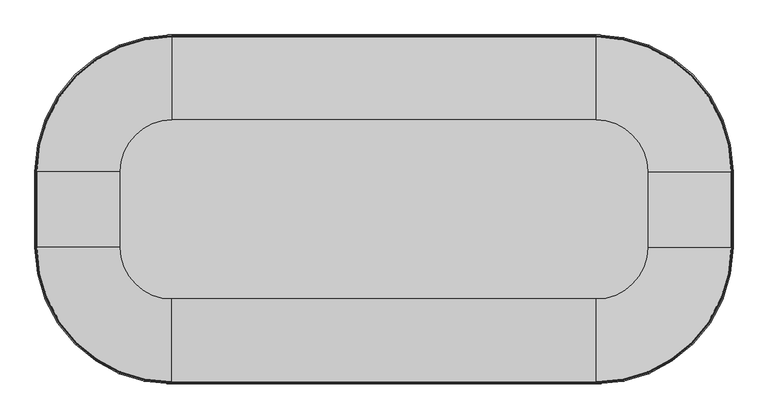
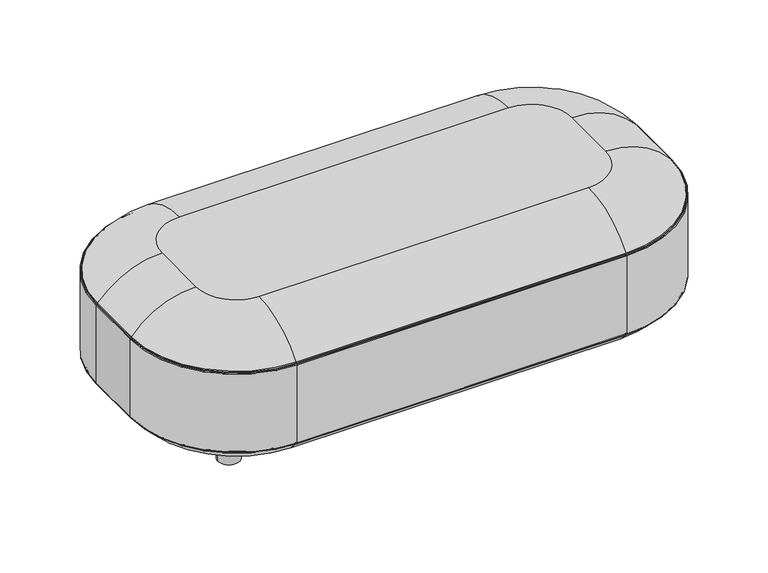
"""IFC4 building model written with IfcOpenShell, lengths in millimetres: furniture geometry."""

from ifc_helpers import new_model, si_unit, point, frame, frame_2d, origin, origin_with_axes, place, context, project, spatial, polyline, circle_curve, ellipse_curve, trimmed, segment, composite_curve, outline, extrude, source, transform, mapped, element, save
from ifc_brep_helpers import plane_surface, cylinder_surface, revolved_surface, advanced_brep


def furniture_69b47f4f(model_context):
    return source(origin(), model_context, "Body", "SolidModel", [
        extrude(outline(composite_curve([segment(trimmed(circle_curve(frame_2d((196.85, -196.85)), 24.13), [point((172.72, -196.85))], [point((220.98, -196.85))], False, "CARTESIAN"), True, "CONTINUOUS"), segment(trimmed(circle_curve(frame_2d((196.85, -196.85)), 24.13), [point((220.98, -196.85))], [point((172.72, -196.85))], False, "CARTESIAN"), True, "CONTINUOUS")], self_intersect=False)), origin_with_axes(), (0.0, 0.0, 1.0), 68.8975487),
        extrude(outline(composite_curve([segment(trimmed(circle_curve(frame_2d((196.85, -403.098)), 24.13), [point((172.72, -403.098))], [point((220.98, -403.098))], False, "CARTESIAN"), True, "CONTINUOUS"), segment(trimmed(circle_curve(frame_2d((196.85, -403.098)), 24.13), [point((220.98, -403.098))], [point((172.72, -403.098))], False, "CARTESIAN"), True, "CONTINUOUS")], self_intersect=False)), origin_with_axes(), (0.0, 0.0, 1.0), 68.8975487),
        extrude(outline(composite_curve([segment(trimmed(circle_curve(frame_2d((1003.1503967, -196.85)), 24.13), [point((979.0203967, -196.85))], [point((1027.2803967, -196.85))], False, "CARTESIAN"), True, "CONTINUOUS"), segment(trimmed(circle_curve(frame_2d((1003.1503967, -196.85)), 24.13), [point((1027.2803967, -196.85))], [point((979.0203967, -196.85))], False, "CARTESIAN"), True, "CONTINUOUS")], self_intersect=False)), origin_with_axes(), (0.0, 0.0, 1.0), 68.8975487),
        extrude(outline(composite_curve([segment(trimmed(circle_curve(frame_2d((1003.1503967, -403.098)), 24.13), [point((979.0203967, -403.098))], [point((1027.2803967, -403.098))], False, "CARTESIAN"), True, "CONTINUOUS"), segment(trimmed(circle_curve(frame_2d((1003.1503967, -403.098)), 24.13), [point((1027.2803967, -403.098))], [point((979.0203967, -403.098))], False, "CARTESIAN"), True, "CONTINUOUS")], self_intersect=False)), origin_with_axes(), (0.0, 0.0, 1.0), 68.8975487),
        advanced_brep(
        [(1196.4997362, -234.95, 327.7392201), (965.0503967, -3.5006606, 327.7392201), (965.0503967, -146.05, 394.97), (1053.9503967, -234.95, 394.97), (1197.032026, -234.95, 325.6332334), (965.0503967, -2.9683707, 325.6332334), (1198.2895306, -234.95, 324.5567357), (965.0503967, -1.7108661, 324.5567357), (1200.0003967, -234.95, 323.3587743), (965.0503967, 0.0, 323.3587743), (1200.0003967, -234.95, 140.5087743), (965.0503967, 0.0, 140.5087743), (1198.2895306, -234.95, 139.310813), (965.0503967, -1.7108661, 139.310813), (1197.032026, -234.95, 138.2343153), (965.0503967, -2.9683707, 138.2343153), (1196.4997362, -234.95, 136.1283286), (965.0503967, -3.5006606, 136.1283286), (1053.9503967, -234.95, 68.8975487), (965.0503967, -146.05, 68.8975487), (1053.9503967, -364.998, 394.97), (1196.4997362, -364.998, 327.7392201), (1197.032026, -364.998, 325.6332334), (1198.2895306, -364.998, 324.5567357), (1200.0003967, -364.998, 323.3587743), (1200.0003967, -364.998, 140.5087743), (1198.2895306, -364.998, 139.310813), (1197.032026, -364.998, 138.2343153), (1196.4997362, -364.998, 136.1283286), (1053.9503967, -364.998, 68.8975487), (965.0503967, -453.898, 394.97), (965.0503967, -596.4473394, 327.7392201), (965.0503967, -596.9796293, 325.6332334), (965.0503967, -598.2371339, 324.5567357), (965.0503967, -599.948, 323.3587743), (965.0503967, -599.948, 140.5087743), (965.0503967, -598.2371339, 139.310813), (965.0503967, -596.9796293, 138.2343153), (965.0503967, -596.4473394, 136.1283286), (965.0503967, -453.898, 68.8975487), (234.95, -453.898, 394.97), (234.95, -596.4473394, 327.7392201), (234.95, -596.9796293, 325.6332334), (234.95, -598.2371339, 324.5567357), (234.95, -599.948, 323.3587743), (234.95, -599.948, 140.5087743), (234.95, -598.2371339, 139.310813), (234.95, -596.9796293, 138.2343153), (234.95, -596.4473394, 136.1283286), (234.95, -453.898, 68.8975487), (146.05, -364.998, 394.97), (3.5006606, -364.998, 327.7392201), (2.9683707, -364.998, 325.6332334), (1.7108661, -364.998, 324.5567357), (0.0, -364.998, 323.3587743), (0.0, -364.998, 140.5087743), (1.7108661, -364.998, 139.310813), (2.9683707, -364.998, 138.2343153), (3.5006606, -364.998, 136.1283286), (146.05, -364.998, 68.8975487), (146.05, -234.95, 394.97), (3.5006606, -234.95, 327.7392201), (2.9683707, -234.95, 325.6332334), (1.7108661, -234.95, 324.5567357), (0.0, -234.95, 323.3587743), (0.0, -234.95, 140.5087743), (1.7108661, -234.95, 139.310813), (2.9683707, -234.95, 138.2343153), (3.5006606, -234.95, 136.1283286), (146.05, -234.95, 68.8975487), (234.95, -146.05, 394.97), (234.95, -3.5006606, 327.7392201), (234.95, -2.9683707, 325.6332334), (234.95, -1.7108661, 324.5567357), (234.95, 0.0, 323.3587743), (234.95, 0.0, 140.5087743), (234.95, -1.7108661, 139.310813), (234.95, -2.9683707, 138.2343153), (234.95, -3.5006606, 136.1283286), (234.95, -146.05, 68.8975487)],
        [
            (0, 1, circle_curve(frame((965.0503967, -234.95, 327.7392201), z_axis=(0.0, 0.0, 1.0), x_axis=(0.0, 1.0, 0.0)), 231.4493394)),
            (1, 2, circle_curve(frame((965.0503967, -146.05, 210.231016), z_axis=(1.0, 0.0, 0.0), x_axis=(0.0, 1.0, 0.0)), 184.738984)),
            (2, 3, circle_curve(frame((965.0503967, -234.95, 394.97), z_axis=(0.0, 0.0, -1.0), x_axis=(0.0, 1.0, 0.0)), 88.9)),
            (3, 0, circle_curve(frame((1053.9503967, -234.95, 210.231016), z_axis=(0.0, 1.0, 0.0), x_axis=(1.0, 0.0, 0.0)), 184.738984)),
            (0, 4, circle_curve(frame((1194.539807, -234.95, 326.1235847), z_axis=(0.0, 1.0, 0.0), x_axis=(1.0, 0.0, 0.0)), 2.54)),
            (4, 5, circle_curve(frame((965.0503967, -234.95, 325.6332334), z_axis=(0.0, 0.0, 1.0), x_axis=(0.0, 1.0, 0.0)), 231.9816293)),
            (5, 1, circle_curve(frame((965.0503967, -5.4605897, 326.1235847), z_axis=(1.0, 0.0, 0.0), x_axis=(0.0, 1.0, 0.0)), 2.54)),
            (4, 6, circle_curve(frame((1197.9644935, -234.95, 325.4497677), z_axis=(0.0, -1.0, 0.0), x_axis=(1.0, 0.0, 0.0)), 0.9503448)),
            (6, 7, circle_curve(frame((965.0503967, -234.95, 324.5567357), z_axis=(0.0, 0.0, 1.0), x_axis=(0.0, 1.0, 0.0)), 233.2391339)),
            (7, 5, circle_curve(frame((965.0503967, -2.0359032, 325.4497677), z_axis=(-1.0, 0.0, 0.0), x_axis=(0.0, 1.0, 0.0)), 0.9503448)),
            (6, 8, circle_curve(frame((1198.7255529, -234.95, 323.3587743), z_axis=(0.0, 1.0, 0.0), x_axis=(1.0, 0.0, 0.0)), 1.2748439)),
            (8, 9, circle_curve(frame((965.0503967, -234.95, 323.3587743), z_axis=(0.0, 0.0, 1.0), x_axis=(0.0, 1.0, 0.0)), 234.95)),
            (9, 7, circle_curve(frame((965.0503967, -1.2748439, 323.3587743), z_axis=(1.0, 0.0, 0.0), x_axis=(0.0, 1.0, 0.0)), 1.2748439)),
            (8, 10),
            (10, 11, circle_curve(frame((965.0503967, -234.95, 140.5087743), z_axis=(0.0, 0.0, 1.0), x_axis=(0.0, 1.0, 0.0)), 234.95)),
            (11, 9),
            (10, 12, circle_curve(frame((1198.7255529, -234.95, 140.5087743), z_axis=(0.0, 1.0, 0.0), x_axis=(1.0, 0.0, 0.0)), 1.2748439)),
            (12, 13, circle_curve(frame((965.0503967, -234.95, 139.310813), z_axis=(0.0, 0.0, 1.0), x_axis=(0.0, 1.0, 0.0)), 233.2391339)),
            (13, 11, circle_curve(frame((965.0503967, -1.2748439, 140.5087743), z_axis=(1.0, 0.0, 0.0), x_axis=(0.0, 1.0, 0.0)), 1.2748439)),
            (12, 14, circle_curve(frame((1197.9644935, -234.95, 138.4177809), z_axis=(0.0, -1.0, 0.0), x_axis=(1.0, 0.0, 0.0)), 0.9503448)),
            (14, 15, circle_curve(frame((965.0503967, -234.95, 138.2343153), z_axis=(0.0, 0.0, 1.0), x_axis=(0.0, 1.0, 0.0)), 231.9816293)),
            (15, 13, circle_curve(frame((965.0503967, -2.0359032, 138.4177809), z_axis=(-1.0, 0.0, 0.0), x_axis=(0.0, 1.0, 0.0)), 0.9503448)),
            (14, 16, circle_curve(frame((1194.539807, -234.95, 137.743964), z_axis=(0.0, 1.0, 0.0), x_axis=(1.0, 0.0, 0.0)), 2.54)),
            (16, 17, circle_curve(frame((965.0503967, -234.95, 136.1283286), z_axis=(0.0, 0.0, 1.0), x_axis=(0.0, 1.0, 0.0)), 231.4493394)),
            (17, 15, circle_curve(frame((965.0503967, -5.4605897, 137.743964), z_axis=(1.0, 0.0, 0.0), x_axis=(0.0, 1.0, 0.0)), 2.54)),
            (16, 18, circle_curve(frame((1053.9503967, -234.95, 253.6365327), z_axis=(0.0, 1.0, 0.0), x_axis=(1.0, 0.0, 0.0)), 184.738984)),
            (18, 19, circle_curve(frame((965.0503967, -234.95, 68.8975487), z_axis=(0.0, 0.0, 1.0), x_axis=(0.0, 1.0, 0.0)), 88.9)),
            (19, 17, circle_curve(frame((965.0503967, -146.05, 253.6365327), z_axis=(1.0, 0.0, 0.0), x_axis=(0.0, 1.0, 0.0)), 184.738984)),
            (3, 20),
            (20, 21, circle_curve(frame((1053.9503967, -364.998, 210.231016), z_axis=(0.0, 1.0, 0.0), x_axis=(1.0, 0.0, 0.0)), 184.738984)),
            (21, 0),
            (21, 22, circle_curve(frame((1194.539807, -364.998, 326.1235847), z_axis=(0.0, 1.0, 0.0), x_axis=(1.0, 0.0, 0.0)), 2.54)),
            (22, 4),
            (22, 23, circle_curve(frame((1197.9644935, -364.998, 325.4497677), z_axis=(0.0, -1.0, 0.0), x_axis=(1.0, 0.0, 0.0)), 0.9503448)),
            (23, 6),
            (23, 24, circle_curve(frame((1198.7255529, -364.998, 323.3587743), z_axis=(0.0, 1.0, 0.0), x_axis=(1.0, 0.0, 0.0)), 1.2748439)),
            (24, 8),
            (24, 25),
            (25, 10),
            (25, 26, circle_curve(frame((1198.7255529, -364.998, 140.5087743), z_axis=(0.0, 1.0, 0.0), x_axis=(1.0, 0.0, 0.0)), 1.2748439)),
            (26, 12),
            (26, 27, circle_curve(frame((1197.9644935, -364.998, 138.4177809), z_axis=(0.0, -1.0, 0.0), x_axis=(1.0, 0.0, 0.0)), 0.9503448)),
            (27, 14),
            (27, 28, circle_curve(frame((1194.539807, -364.998, 137.743964), z_axis=(0.0, 1.0, 0.0), x_axis=(1.0, 0.0, 0.0)), 2.54)),
            (28, 16),
            (28, 29, circle_curve(frame((1053.9503967, -364.998, 253.6365327), z_axis=(0.0, 1.0, 0.0), x_axis=(1.0, 0.0, 0.0)), 184.738984)),
            (29, 18),
            (20, 30, circle_curve(frame((965.0503967, -364.998, 394.97), z_axis=(0.0, 0.0, -1.0), x_axis=(1.0, 0.0, 0.0)), 88.9)),
            (30, 31, circle_curve(frame((965.0503967, -453.898, 210.231016), z_axis=(1.0, 0.0, 0.0), x_axis=(0.0, -1.0, 0.0)), 184.738984)),
            (31, 21, circle_curve(frame((965.0503967, -364.998, 327.7392201), z_axis=(0.0, 0.0, 1.0), x_axis=(1.0, 0.0, 0.0)), 231.4493394)),
            (31, 32, circle_curve(frame((965.0503967, -594.4874103, 326.1235847), z_axis=(1.0, 0.0, 0.0), x_axis=(0.0, -1.0, 0.0)), 2.54)),
            (32, 22, circle_curve(frame((965.0503967, -364.998, 325.6332334), z_axis=(0.0, 0.0, 1.0), x_axis=(1.0, 0.0, 0.0)), 231.9816293)),
            (32, 33, circle_curve(frame((965.0503967, -597.9120968, 325.4497677), z_axis=(-1.0, 0.0, 0.0), x_axis=(0.0, -1.0, 0.0)), 0.9503448)),
            (33, 23, circle_curve(frame((965.0503967, -364.998, 324.5567357), z_axis=(0.0, 0.0, 1.0), x_axis=(1.0, 0.0, 0.0)), 233.2391339)),
            (33, 34, circle_curve(frame((965.0503967, -598.6731561, 323.3587743), z_axis=(1.0, 0.0, 0.0), x_axis=(0.0, -1.0, 0.0)), 1.2748439)),
            (34, 24, circle_curve(frame((965.0503967, -364.998, 323.3587743), z_axis=(0.0, 0.0, 1.0), x_axis=(1.0, 0.0, 0.0)), 234.95)),
            (34, 35),
            (35, 25, circle_curve(frame((965.0503967, -364.998, 140.5087743), z_axis=(0.0, 0.0, 1.0), x_axis=(1.0, 0.0, 0.0)), 234.95)),
            (35, 36, circle_curve(frame((965.0503967, -598.6731561, 140.5087743), z_axis=(1.0, 0.0, 0.0), x_axis=(0.0, -1.0, 0.0)), 1.2748439)),
            (36, 26, circle_curve(frame((965.0503967, -364.998, 139.310813), z_axis=(0.0, 0.0, 1.0), x_axis=(1.0, 0.0, 0.0)), 233.2391339)),
            (36, 37, circle_curve(frame((965.0503967, -597.9120968, 138.4177809), z_axis=(-1.0, 0.0, 0.0), x_axis=(0.0, -1.0, 0.0)), 0.9503448)),
            (37, 27, circle_curve(frame((965.0503967, -364.998, 138.2343153), z_axis=(0.0, 0.0, 1.0), x_axis=(1.0, 0.0, 0.0)), 231.9816293)),
            (37, 38, circle_curve(frame((965.0503967, -594.4874103, 137.743964), z_axis=(1.0, 0.0, 0.0), x_axis=(0.0, -1.0, 0.0)), 2.54)),
            (38, 28, circle_curve(frame((965.0503967, -364.998, 136.1283286), z_axis=(0.0, 0.0, 1.0), x_axis=(1.0, 0.0, 0.0)), 231.4493394)),
            (38, 39, circle_curve(frame((965.0503967, -453.898, 253.6365327), z_axis=(1.0, 0.0, 0.0), x_axis=(0.0, -1.0, 0.0)), 184.738984)),
            (39, 29, circle_curve(frame((965.0503967, -364.998, 68.8975487), z_axis=(0.0, 0.0, 1.0), x_axis=(1.0, 0.0, 0.0)), 88.9)),
            (30, 40),
            (40, 41, circle_curve(frame((234.95, -453.898, 210.231016), z_axis=(1.0, 0.0, 0.0), x_axis=(0.0, -1.0, 0.0)), 184.738984)),
            (41, 31),
            (41, 42, circle_curve(frame((234.95, -594.4874103, 326.1235847), z_axis=(1.0, 0.0, 0.0), x_axis=(0.0, -1.0, 0.0)), 2.54)),
            (42, 32),
            (42, 43, circle_curve(frame((234.95, -597.9120968, 325.4497677), z_axis=(-1.0, 0.0, 0.0), x_axis=(0.0, -1.0, 0.0)), 0.9503448)),
            (43, 33),
            (43, 44, circle_curve(frame((234.95, -598.6731561, 323.3587743), z_axis=(1.0, 0.0, 0.0), x_axis=(0.0, -1.0, 0.0)), 1.2748439)),
            (44, 34),
            (44, 45),
            (45, 35),
            (45, 46, circle_curve(frame((234.95, -598.6731561, 140.5087743), z_axis=(1.0, 0.0, 0.0), x_axis=(0.0, -1.0, 0.0)), 1.2748439)),
            (46, 36),
            (46, 47, circle_curve(frame((234.95, -597.9120968, 138.4177809), z_axis=(-1.0, 0.0, 0.0), x_axis=(0.0, -1.0, 0.0)), 0.9503448)),
            (47, 37),
            (47, 48, circle_curve(frame((234.95, -594.4874103, 137.743964), z_axis=(1.0, 0.0, 0.0), x_axis=(0.0, -1.0, 0.0)), 2.54)),
            (48, 38),
            (48, 49, circle_curve(frame((234.95, -453.898, 253.6365327), z_axis=(1.0, 0.0, 0.0), x_axis=(0.0, -1.0, 0.0)), 184.738984)),
            (49, 39),
            (40, 50, circle_curve(frame((234.95, -364.998, 394.97), z_axis=(0.0, 0.0, -1.0), x_axis=(0.0, -1.0, 0.0)), 88.9)),
            (50, 51, circle_curve(frame((146.05, -364.998, 210.231016), z_axis=(0.0, -1.0, 0.0), x_axis=(-1.0, 0.0, 0.0)), 184.738984)),
            (51, 41, circle_curve(frame((234.95, -364.998, 327.7392201), z_axis=(0.0, 0.0, 1.0), x_axis=(0.0, -1.0, 0.0)), 231.4493394)),
            (51, 52, circle_curve(frame((5.4605897, -364.998, 326.1235847), z_axis=(0.0, -1.0, 0.0), x_axis=(-1.0, 0.0, 0.0)), 2.54)),
            (52, 42, circle_curve(frame((234.95, -364.998, 325.6332334), z_axis=(0.0, 0.0, 1.0), x_axis=(0.0, -1.0, 0.0)), 231.9816293)),
            (52, 53, circle_curve(frame((2.0359032, -364.998, 325.4497677), z_axis=(0.0, 1.0, 0.0), x_axis=(-1.0, 0.0, 0.0)), 0.9503448)),
            (53, 43, circle_curve(frame((234.95, -364.998, 324.5567357), z_axis=(0.0, 0.0, 1.0), x_axis=(0.0, -1.0, 0.0)), 233.2391339)),
            (53, 54, circle_curve(frame((1.2748439, -364.998, 323.3587743), z_axis=(0.0, -1.0, 0.0), x_axis=(-1.0, 0.0, 0.0)), 1.2748439)),
            (54, 44, circle_curve(frame((234.95, -364.998, 323.3587743), z_axis=(0.0, 0.0, 1.0), x_axis=(0.0, -1.0, 0.0)), 234.95)),
            (54, 55),
            (55, 45, circle_curve(frame((234.95, -364.998, 140.5087743), z_axis=(0.0, 0.0, 1.0), x_axis=(0.0, -1.0, 0.0)), 234.95)),
            (55, 56, circle_curve(frame((1.2748439, -364.998, 140.5087743), z_axis=(0.0, -1.0, 0.0), x_axis=(-1.0, 0.0, 0.0)), 1.2748439)),
            (56, 46, circle_curve(frame((234.95, -364.998, 139.310813), z_axis=(0.0, 0.0, 1.0), x_axis=(0.0, -1.0, 0.0)), 233.2391339)),
            (56, 57, circle_curve(frame((2.0359032, -364.998, 138.4177809), z_axis=(0.0, 1.0, 0.0), x_axis=(-1.0, 0.0, 0.0)), 0.9503448)),
            (57, 47, circle_curve(frame((234.95, -364.998, 138.2343153), z_axis=(0.0, 0.0, 1.0), x_axis=(0.0, -1.0, 0.0)), 231.9816293)),
            (57, 58, circle_curve(frame((5.4605897, -364.998, 137.743964), z_axis=(0.0, -1.0, 0.0), x_axis=(-1.0, 0.0, 0.0)), 2.54)),
            (58, 48, circle_curve(frame((234.95, -364.998, 136.1283286), z_axis=(0.0, 0.0, 1.0), x_axis=(0.0, -1.0, 0.0)), 231.4493394)),
            (58, 59, circle_curve(frame((146.05, -364.998, 253.6365327), z_axis=(0.0, -1.0, 0.0), x_axis=(-1.0, 0.0, 0.0)), 184.738984)),
            (59, 49, circle_curve(frame((234.95, -364.998, 68.8975487), z_axis=(0.0, 0.0, 1.0), x_axis=(0.0, -1.0, 0.0)), 88.9)),
            (50, 60),
            (60, 61, circle_curve(frame((146.05, -234.95, 210.231016), z_axis=(0.0, -1.0, 0.0), x_axis=(-1.0, 0.0, 0.0)), 184.738984)),
            (61, 51),
            (61, 62, circle_curve(frame((5.4605897, -234.95, 326.1235847), z_axis=(0.0, -1.0, 0.0), x_axis=(-1.0, 0.0, 0.0)), 2.54)),
            (62, 52),
            (62, 63, circle_curve(frame((2.0359032, -234.95, 325.4497677), z_axis=(0.0, 1.0, 0.0), x_axis=(-1.0, 0.0, 0.0)), 0.9503448)),
            (63, 53),
            (63, 64, circle_curve(frame((1.2748439, -234.95, 323.3587743), z_axis=(0.0, -1.0, 0.0), x_axis=(-1.0, 0.0, 0.0)), 1.2748439)),
            (64, 54),
            (64, 65),
            (65, 55),
            (65, 66, circle_curve(frame((1.2748439, -234.95, 140.5087743), z_axis=(0.0, -1.0, 0.0), x_axis=(-1.0, 0.0, 0.0)), 1.2748439)),
            (66, 56),
            (66, 67, circle_curve(frame((2.0359032, -234.95, 138.4177809), z_axis=(0.0, 1.0, 0.0), x_axis=(-1.0, 0.0, 0.0)), 0.9503448)),
            (67, 57),
            (67, 68, circle_curve(frame((5.4605897, -234.95, 137.743964), z_axis=(0.0, -1.0, 0.0), x_axis=(-1.0, 0.0, 0.0)), 2.54)),
            (68, 58),
            (68, 69, circle_curve(frame((146.05, -234.95, 253.6365327), z_axis=(0.0, -1.0, 0.0), x_axis=(-1.0, 0.0, 0.0)), 184.738984)),
            (69, 59),
            (60, 70, circle_curve(frame((234.95, -234.95, 394.97), z_axis=(0.0, 0.0, -1.0), x_axis=(-1.0, 0.0, 0.0)), 88.9)),
            (70, 71, circle_curve(frame((234.95, -146.05, 210.231016), z_axis=(-1.0, 0.0, 0.0), x_axis=(0.0, 1.0, 0.0)), 184.738984)),
            (71, 61, circle_curve(frame((234.95, -234.95, 327.7392201), z_axis=(0.0, 0.0, 1.0), x_axis=(-1.0, 0.0, 0.0)), 231.4493394)),
            (71, 72, circle_curve(frame((234.95, -5.4605897, 326.1235847), z_axis=(-1.0, 0.0, 0.0), x_axis=(0.0, 1.0, 0.0)), 2.54)),
            (72, 62, circle_curve(frame((234.95, -234.95, 325.6332334), z_axis=(0.0, 0.0, 1.0), x_axis=(-1.0, 0.0, 0.0)), 231.9816293)),
            (72, 73, circle_curve(frame((234.95, -2.0359032, 325.4497677), z_axis=(1.0, 0.0, 0.0), x_axis=(0.0, 1.0, 0.0)), 0.9503448)),
            (73, 63, circle_curve(frame((234.95, -234.95, 324.5567357), z_axis=(0.0, 0.0, 1.0), x_axis=(-1.0, 0.0, 0.0)), 233.2391339)),
            (73, 74, circle_curve(frame((234.95, -1.2748439, 323.3587743), z_axis=(-1.0, 0.0, 0.0), x_axis=(0.0, 1.0, 0.0)), 1.2748439)),
            (74, 64, circle_curve(frame((234.95, -234.95, 323.3587743), z_axis=(0.0, 0.0, 1.0), x_axis=(-1.0, 0.0, 0.0)), 234.95)),
            (74, 75),
            (75, 65, circle_curve(frame((234.95, -234.95, 140.5087743), z_axis=(0.0, 0.0, 1.0), x_axis=(-1.0, 0.0, 0.0)), 234.95)),
            (75, 76, circle_curve(frame((234.95, -1.2748439, 140.5087743), z_axis=(-1.0, 0.0, 0.0), x_axis=(0.0, 1.0, 0.0)), 1.2748439)),
            (76, 66, circle_curve(frame((234.95, -234.95, 139.310813), z_axis=(0.0, 0.0, 1.0), x_axis=(-1.0, 0.0, 0.0)), 233.2391339)),
            (76, 77, circle_curve(frame((234.95, -2.0359032, 138.4177809), z_axis=(1.0, 0.0, 0.0), x_axis=(0.0, 1.0, 0.0)), 0.9503448)),
            (77, 67, circle_curve(frame((234.95, -234.95, 138.2343153), z_axis=(0.0, 0.0, 1.0), x_axis=(-1.0, 0.0, 0.0)), 231.9816293)),
            (77, 78, circle_curve(frame((234.95, -5.4605897, 137.743964), z_axis=(-1.0, 0.0, 0.0), x_axis=(0.0, 1.0, 0.0)), 2.54)),
            (78, 68, circle_curve(frame((234.95, -234.95, 136.1283286), z_axis=(0.0, 0.0, 1.0), x_axis=(-1.0, 0.0, 0.0)), 231.4493394)),
            (78, 79, circle_curve(frame((234.95, -146.05, 253.6365327), z_axis=(-1.0, 0.0, 0.0), x_axis=(0.0, 1.0, 0.0)), 184.738984)),
            (79, 69, circle_curve(frame((234.95, -234.95, 68.8975487), z_axis=(0.0, 0.0, 1.0), x_axis=(-1.0, 0.0, 0.0)), 88.9)),
            (2, 70),
            (1, 71),
            (5, 72),
            (7, 73),
            (9, 74),
            (11, 75),
            (13, 76),
            (15, 77),
            (17, 78),
            (19, 79),
        ],
        [
            revolved_surface(trimmed(ellipse_curve(frame((965.0503967, -146.05, 210.231016), z_axis=(-1.0, 0.0, 0.0), x_axis=(0.0, 1.0, 0.0)), 184.738984, 184.738984), [point((965.0503967, -146.05, 394.97))], [point((965.0503967, -3.5006606, 327.7392201))], True, "CARTESIAN"), (965.0503967, -234.95, 0.0), (0.0, 0.0, -1.0)),
            revolved_surface(trimmed(ellipse_curve(frame((965.0503967, -5.4605897, 326.1235847), z_axis=(-1.0, 0.0, 0.0), x_axis=(0.0, 1.0, 0.0)), 2.54, 2.54), [point((965.0503967, -3.5006606, 327.7392201))], [point((965.0503967, -2.9683707, 325.6332334))], True, "CARTESIAN"), (965.0503967, -234.95, 0.0), (0.0, 0.0, -1.0)),
            revolved_surface(trimmed(ellipse_curve(frame((965.0503967, -2.0359032, 325.4497677), z_axis=(1.0, 0.0, 0.0), x_axis=(0.0, 1.0, 0.0)), 0.9503448, 0.9503448), [point((965.0503967, -2.9683707, 325.6332334))], [point((965.0503967, -1.7108661, 324.5567357))], True, "CARTESIAN"), (965.0503967, -234.95, 0.0), (0.0, 0.0, -1.0)),
            revolved_surface(trimmed(ellipse_curve(frame((965.0503967, -1.2748439, 323.3587743), z_axis=(-1.0, 0.0, 0.0), x_axis=(0.0, 1.0, 0.0)), 1.2748439, 1.2748439), [point((965.0503967, -1.7108661, 324.5567357))], [point((965.0503967, 0.0, 323.3587743))], True, "CARTESIAN"), (965.0503967, -234.95, 0.0), (0.0, 0.0, -1.0)),
            cylinder_surface(frame((965.0503967, -234.95, 0.0), z_axis=(0.0, 0.0, -1.0), x_axis=(0.0, 1.0, 0.0)), 234.95),
            revolved_surface(trimmed(ellipse_curve(frame((965.0503967, -1.2748439, 140.5087743), z_axis=(-1.0, 0.0, 0.0), x_axis=(0.0, 1.0, 0.0)), 1.2748439, 1.2748439), [point((965.0503967, 0.0, 140.5087743))], [point((965.0503967, -1.7108661, 139.310813))], True, "CARTESIAN"), (965.0503967, -234.95, 0.0), (0.0, 0.0, -1.0)),
            revolved_surface(trimmed(ellipse_curve(frame((965.0503967, -2.0359032, 138.4177809), z_axis=(1.0, 0.0, 0.0), x_axis=(0.0, 1.0, 0.0)), 0.9503448, 0.9503448), [point((965.0503967, -1.7108661, 139.310813))], [point((965.0503967, -2.9683707, 138.2343153))], True, "CARTESIAN"), (965.0503967, -234.95, 0.0), (0.0, 0.0, -1.0)),
            revolved_surface(trimmed(ellipse_curve(frame((965.0503967, -5.4605897, 137.743964), z_axis=(-1.0, 0.0, 0.0), x_axis=(0.0, 1.0, 0.0)), 2.54, 2.54), [point((965.0503967, -2.9683707, 138.2343153))], [point((965.0503967, -3.5006606, 136.1283286))], True, "CARTESIAN"), (965.0503967, -234.95, 0.0), (0.0, 0.0, -1.0)),
            revolved_surface(trimmed(ellipse_curve(frame((965.0503967, -146.05, 253.6365327), z_axis=(-1.0, 0.0, 0.0), x_axis=(0.0, 1.0, 0.0)), 184.738984, 184.738984), [point((965.0503967, -3.5006606, 136.1283286))], [point((965.0503967, -146.05, 68.8975487))], True, "CARTESIAN"), (965.0503967, -234.95, 0.0), (0.0, 0.0, -1.0)),
            cylinder_surface(frame((1053.9503967, -234.95, 210.231016), z_axis=(0.0, 1.0, 0.0), x_axis=(1.0, 0.0, 0.0)), 184.738984),
            cylinder_surface(frame((1194.539807, -234.95, 326.1235847), z_axis=(0.0, 1.0, 0.0), x_axis=(1.0, 0.0, 0.0)), 2.54),
            revolved_surface(polyline([(1198.9148383, -364.998, 325.4497677), (1198.9148383, -234.95, 325.4497677)]), (1197.9644935, -234.95, 325.4497677), (0.0, -1.0, 0.0)),
            cylinder_surface(frame((1198.7255529, -234.95, 323.3587743), z_axis=(0.0, 1.0, 0.0), x_axis=(1.0, 0.0, 0.0)), 1.2748439),
            plane_surface(frame((1200.0003967, -234.95, 323.3587743), z_axis=(1.0, 0.0, 0.0), x_axis=(0.0, -1.0, 0.0))),
            cylinder_surface(frame((1198.7255529, -234.95, 140.5087743), z_axis=(0.0, 1.0, 0.0), x_axis=(1.0, 0.0, 0.0)), 1.2748439),
            revolved_surface(polyline([(1198.9148383, -364.998, 138.4177809), (1198.9148383, -234.95, 138.4177809)]), (1197.9644935, -234.95, 138.4177809), (0.0, -1.0, 0.0)),
            cylinder_surface(frame((1194.539807, -234.95, 137.743964), z_axis=(0.0, 1.0, 0.0), x_axis=(1.0, 0.0, 0.0)), 2.54),
            cylinder_surface(frame((1053.9503967, -234.95, 253.6365327), z_axis=(0.0, 1.0, 0.0), x_axis=(1.0, 0.0, 0.0)), 184.738984),
            revolved_surface(trimmed(ellipse_curve(frame((1053.9503967, -364.998, 210.231016), z_axis=(0.0, 1.0, 0.0), x_axis=(1.0, 0.0, 0.0)), 184.738984, 184.738984), [point((1053.9503967, -364.998, 394.97))], [point((1196.4997362, -364.998, 327.7392201))], True, "CARTESIAN"), (965.0503967, -364.998, 0.0), (0.0, 0.0, -1.0)),
            revolved_surface(trimmed(ellipse_curve(frame((1194.539807, -364.998, 326.1235847), z_axis=(0.0, 1.0, 0.0), x_axis=(1.0, 0.0, 0.0)), 2.54, 2.54), [point((1196.4997362, -364.998, 327.7392201))], [point((1197.032026, -364.998, 325.6332334))], True, "CARTESIAN"), (965.0503967, -364.998, 0.0), (0.0, 0.0, -1.0)),
            revolved_surface(trimmed(ellipse_curve(frame((1197.9644935, -364.998, 325.4497677), z_axis=(0.0, -1.0, 0.0), x_axis=(1.0, 0.0, 0.0)), 0.9503448, 0.9503448), [point((1197.032026, -364.998, 325.6332334))], [point((1198.2895306, -364.998, 324.5567357))], True, "CARTESIAN"), (965.0503967, -364.998, 0.0), (0.0, 0.0, -1.0)),
            revolved_surface(trimmed(ellipse_curve(frame((1198.7255529, -364.998, 323.3587743), z_axis=(0.0, 1.0, 0.0), x_axis=(1.0, 0.0, 0.0)), 1.2748439, 1.2748439), [point((1198.2895306, -364.998, 324.5567357))], [point((1200.0003967, -364.998, 323.3587743))], True, "CARTESIAN"), (965.0503967, -364.998, 0.0), (0.0, 0.0, -1.0)),
            cylinder_surface(frame((965.0503967, -364.998, 0.0), z_axis=(0.0, 0.0, -1.0), x_axis=(1.0, 0.0, 0.0)), 234.95),
            revolved_surface(trimmed(ellipse_curve(frame((1198.7255529, -364.998, 140.5087743), z_axis=(0.0, 1.0, 0.0), x_axis=(1.0, 0.0, 0.0)), 1.2748439, 1.2748439), [point((1200.0003967, -364.998, 140.5087743))], [point((1198.2895306, -364.998, 139.310813))], True, "CARTESIAN"), (965.0503967, -364.998, 0.0), (0.0, 0.0, -1.0)),
            revolved_surface(trimmed(ellipse_curve(frame((1197.9644935, -364.998, 138.4177809), z_axis=(0.0, -1.0, 0.0), x_axis=(1.0, 0.0, 0.0)), 0.9503448, 0.9503448), [point((1198.2895306, -364.998, 139.310813))], [point((1197.032026, -364.998, 138.2343153))], True, "CARTESIAN"), (965.0503967, -364.998, 0.0), (0.0, 0.0, -1.0)),
            revolved_surface(trimmed(ellipse_curve(frame((1194.539807, -364.998, 137.743964), z_axis=(0.0, 1.0, 0.0), x_axis=(1.0, 0.0, 0.0)), 2.54, 2.54), [point((1197.032026, -364.998, 138.2343153))], [point((1196.4997362, -364.998, 136.1283286))], True, "CARTESIAN"), (965.0503967, -364.998, 0.0), (0.0, 0.0, -1.0)),
            revolved_surface(trimmed(ellipse_curve(frame((1053.9503967, -364.998, 253.6365327), z_axis=(0.0, 1.0, 0.0), x_axis=(1.0, 0.0, 0.0)), 184.738984, 184.738984), [point((1196.4997362, -364.998, 136.1283286))], [point((1053.9503967, -364.998, 68.8975487))], True, "CARTESIAN"), (965.0503967, -364.998, 0.0), (0.0, 0.0, -1.0)),
            cylinder_surface(frame((965.0503967, -453.898, 210.231016), z_axis=(1.0, 0.0, 0.0), x_axis=(0.0, -1.0, 0.0)), 184.738984),
            cylinder_surface(frame((965.0503967, -594.4874103, 326.1235847), z_axis=(1.0, 0.0, 0.0), x_axis=(0.0, -1.0, 0.0)), 2.54),
            revolved_surface(polyline([(234.95000000000005, -598.8624416, 325.4497677), (965.0503967, -598.8624416, 325.4497677)]), (965.0503967, -597.9120968, 325.4497677), (-1.0, 0.0, 0.0)),
            cylinder_surface(frame((965.0503967, -598.6731561, 323.3587743), z_axis=(1.0, 0.0, 0.0), x_axis=(0.0, -1.0, 0.0)), 1.2748439),
            plane_surface(frame((965.0503967, -599.948, 323.3587743), z_axis=(0.0, -1.0, 0.0), x_axis=(-1.0, 0.0, 0.0))),
            cylinder_surface(frame((965.0503967, -598.6731561, 140.5087743), z_axis=(1.0, 0.0, 0.0), x_axis=(0.0, -1.0, 0.0)), 1.2748439),
            revolved_surface(polyline([(234.95000000000005, -598.8624416, 138.4177809), (965.0503967, -598.8624416, 138.4177809)]), (965.0503967, -597.9120968, 138.4177809), (-1.0, 0.0, 0.0)),
            cylinder_surface(frame((965.0503967, -594.4874103, 137.743964), z_axis=(1.0, 0.0, 0.0), x_axis=(0.0, -1.0, 0.0)), 2.54),
            cylinder_surface(frame((965.0503967, -453.898, 253.6365327), z_axis=(1.0, 0.0, 0.0), x_axis=(0.0, -1.0, 0.0)), 184.738984),
            revolved_surface(trimmed(ellipse_curve(frame((234.95, -453.898, 210.231016), z_axis=(1.0, 0.0, 0.0), x_axis=(0.0, -1.0, 0.0)), 184.738984, 184.738984), [point((234.95, -453.898, 394.97))], [point((234.95, -596.4473394, 327.7392201))], True, "CARTESIAN"), (234.95, -364.998, 0.0), (0.0, 0.0, -1.0)),
            revolved_surface(trimmed(ellipse_curve(frame((234.95, -594.4874103, 326.1235847), z_axis=(1.0, 0.0, 0.0), x_axis=(0.0, -1.0, 0.0)), 2.54, 2.54), [point((234.95, -596.4473394, 327.7392201))], [point((234.95, -596.9796293, 325.6332334))], True, "CARTESIAN"), (234.95, -364.998, 0.0), (0.0, 0.0, -1.0)),
            revolved_surface(trimmed(ellipse_curve(frame((234.95, -597.9120968, 325.4497677), z_axis=(-1.0, 0.0, 0.0), x_axis=(0.0, -1.0, 0.0)), 0.9503448, 0.9503448), [point((234.95, -596.9796293, 325.6332334))], [point((234.95, -598.2371339, 324.5567357))], True, "CARTESIAN"), (234.95, -364.998, 0.0), (0.0, 0.0, -1.0)),
            revolved_surface(trimmed(ellipse_curve(frame((234.95, -598.6731561, 323.3587743), z_axis=(1.0, 0.0, 0.0), x_axis=(0.0, -1.0, 0.0)), 1.2748439, 1.2748439), [point((234.95, -598.2371339, 324.5567357))], [point((234.95, -599.948, 323.3587743))], True, "CARTESIAN"), (234.95, -364.998, 0.0), (0.0, 0.0, -1.0)),
            cylinder_surface(frame((234.95, -364.998, 0.0), z_axis=(0.0, 0.0, -1.0), x_axis=(0.0, -1.0, 0.0)), 234.95),
            revolved_surface(trimmed(ellipse_curve(frame((234.95, -598.6731561, 140.5087743), z_axis=(1.0, 0.0, 0.0), x_axis=(0.0, -1.0, 0.0)), 1.2748439, 1.2748439), [point((234.95, -599.948, 140.5087743))], [point((234.95, -598.2371339, 139.310813))], True, "CARTESIAN"), (234.95, -364.998, 0.0), (0.0, 0.0, -1.0)),
            revolved_surface(trimmed(ellipse_curve(frame((234.95, -597.9120968, 138.4177809), z_axis=(-1.0, 0.0, 0.0), x_axis=(0.0, -1.0, 0.0)), 0.9503448, 0.9503448), [point((234.95, -598.2371339, 139.310813))], [point((234.95, -596.9796293, 138.2343153))], True, "CARTESIAN"), (234.95, -364.998, 0.0), (0.0, 0.0, -1.0)),
            revolved_surface(trimmed(ellipse_curve(frame((234.95, -594.4874103, 137.743964), z_axis=(1.0, 0.0, 0.0), x_axis=(0.0, -1.0, 0.0)), 2.54, 2.54), [point((234.95, -596.9796293, 138.2343153))], [point((234.95, -596.4473394, 136.1283286))], True, "CARTESIAN"), (234.95, -364.998, 0.0), (0.0, 0.0, -1.0)),
            revolved_surface(trimmed(ellipse_curve(frame((234.95, -453.898, 253.6365327), z_axis=(1.0, 0.0, 0.0), x_axis=(0.0, -1.0, 0.0)), 184.738984, 184.738984), [point((234.95, -596.4473394, 136.1283286))], [point((234.95, -453.898, 68.8975487))], True, "CARTESIAN"), (234.95, -364.998, 0.0), (0.0, 0.0, -1.0)),
            cylinder_surface(frame((146.05, -364.998, 210.231016), z_axis=(0.0, -1.0, 0.0), x_axis=(-1.0, 0.0, 0.0)), 184.738984),
            cylinder_surface(frame((5.4605897, -364.998, 326.1235847), z_axis=(0.0, -1.0, 0.0), x_axis=(-1.0, 0.0, 0.0)), 2.54),
            revolved_surface(polyline([(1.0855584, -234.95, 325.4497677), (1.0855584, -364.998, 325.4497677)]), (2.0359032, -364.998, 325.4497677), (0.0, 1.0, 0.0)),
            cylinder_surface(frame((1.2748439, -364.998, 323.3587743), z_axis=(0.0, -1.0, 0.0), x_axis=(-1.0, 0.0, 0.0)), 1.2748439),
            plane_surface(frame((0.0, -364.998, 323.3587743), z_axis=(-1.0, 0.0, 0.0), x_axis=(0.0, 1.0, 0.0))),
            cylinder_surface(frame((1.2748439, -364.998, 140.5087743), z_axis=(0.0, -1.0, 0.0), x_axis=(-1.0, 0.0, 0.0)), 1.2748439),
            revolved_surface(polyline([(1.0855584, -234.95, 138.4177809), (1.0855584, -364.998, 138.4177809)]), (2.0359032, -364.998, 138.4177809), (0.0, 1.0, 0.0)),
            cylinder_surface(frame((5.4605897, -364.998, 137.743964), z_axis=(0.0, -1.0, 0.0), x_axis=(-1.0, 0.0, 0.0)), 2.54),
            cylinder_surface(frame((146.05, -364.998, 253.6365327), z_axis=(0.0, -1.0, 0.0), x_axis=(-1.0, 0.0, 0.0)), 184.738984),
            revolved_surface(trimmed(ellipse_curve(frame((146.05, -234.95, 210.231016), z_axis=(0.0, -1.0, 0.0), x_axis=(-1.0, 0.0, 0.0)), 184.738984, 184.738984), [point((146.05, -234.95, 394.97))], [point((3.5006606, -234.95, 327.7392201))], True, "CARTESIAN"), (234.95, -234.95, 0.0), (0.0, 0.0, -1.0)),
            revolved_surface(trimmed(ellipse_curve(frame((5.4605897, -234.95, 326.1235847), z_axis=(0.0, -1.0, 0.0), x_axis=(-1.0, 0.0, 0.0)), 2.54, 2.54), [point((3.5006606, -234.95, 327.7392201))], [point((2.9683707, -234.95, 325.6332334))], True, "CARTESIAN"), (234.95, -234.95, 0.0), (0.0, 0.0, -1.0)),
            revolved_surface(trimmed(ellipse_curve(frame((2.0359032, -234.95, 325.4497677), z_axis=(0.0, 1.0, 0.0), x_axis=(-1.0, 0.0, 0.0)), 0.9503448, 0.9503448), [point((2.9683707, -234.95, 325.6332334))], [point((1.7108661, -234.95, 324.5567357))], True, "CARTESIAN"), (234.95, -234.95, 0.0), (0.0, 0.0, -1.0)),
            revolved_surface(trimmed(ellipse_curve(frame((1.2748439, -234.95, 323.3587743), z_axis=(0.0, -1.0, 0.0), x_axis=(-1.0, 0.0, 0.0)), 1.2748439, 1.2748439), [point((1.7108661, -234.95, 324.5567357))], [point((0.0, -234.95, 323.3587743))], True, "CARTESIAN"), (234.95, -234.95, 0.0), (0.0, 0.0, -1.0)),
            cylinder_surface(frame((234.95, -234.95, 0.0), z_axis=(0.0, 0.0, -1.0), x_axis=(-1.0, 0.0, 0.0)), 234.95),
            revolved_surface(trimmed(ellipse_curve(frame((1.2748439, -234.95, 140.5087743), z_axis=(0.0, -1.0, 0.0), x_axis=(-1.0, 0.0, 0.0)), 1.2748439, 1.2748439), [point((0.0, -234.95, 140.5087743))], [point((1.7108661, -234.95, 139.310813))], True, "CARTESIAN"), (234.95, -234.95, 0.0), (0.0, 0.0, -1.0)),
            revolved_surface(trimmed(ellipse_curve(frame((2.0359032, -234.95, 138.4177809), z_axis=(0.0, 1.0, 0.0), x_axis=(-1.0, 0.0, 0.0)), 0.9503448, 0.9503448), [point((1.7108661, -234.95, 139.310813))], [point((2.9683707, -234.95, 138.2343153))], True, "CARTESIAN"), (234.95, -234.95, 0.0), (0.0, 0.0, -1.0)),
            revolved_surface(trimmed(ellipse_curve(frame((5.4605897, -234.95, 137.743964), z_axis=(0.0, -1.0, 0.0), x_axis=(-1.0, 0.0, 0.0)), 2.54, 2.54), [point((2.9683707, -234.95, 138.2343153))], [point((3.5006606, -234.95, 136.1283286))], True, "CARTESIAN"), (234.95, -234.95, 0.0), (0.0, 0.0, -1.0)),
            revolved_surface(trimmed(ellipse_curve(frame((146.05, -234.95, 253.6365327), z_axis=(0.0, -1.0, 0.0), x_axis=(-1.0, 0.0, 0.0)), 184.738984, 184.738984), [point((3.5006606, -234.95, 136.1283286))], [point((146.05, -234.95, 68.8975487))], True, "CARTESIAN"), (234.95, -234.95, 0.0), (0.0, 0.0, -1.0)),
            plane_surface(frame((234.95, -196.85, 394.97), z_axis=(0.0, 0.0, 1.0), x_axis=(1.0, 0.0, 0.0))),
            cylinder_surface(frame((234.95, -146.05, 210.231016), z_axis=(-1.0, 0.0, 0.0), x_axis=(0.0, 1.0, 0.0)), 184.738984),
            cylinder_surface(frame((234.95, -5.4605897, 326.1235847), z_axis=(-1.0, 0.0, 0.0), x_axis=(0.0, 1.0, 0.0)), 2.54),
            revolved_surface(polyline([(965.0503967, -1.0855584, 325.4497677), (234.95, -1.0855584, 325.4497677)]), (234.95, -2.0359032, 325.4497677), (1.0, 0.0, 0.0)),
            cylinder_surface(frame((234.95, -1.2748439, 323.3587743), z_axis=(-1.0, 0.0, 0.0), x_axis=(0.0, 1.0, 0.0)), 1.2748439),
            plane_surface(frame((234.95, 0.0, 323.3587743), z_axis=(0.0, 1.0, 0.0), x_axis=(1.0, 0.0, 0.0))),
            cylinder_surface(frame((234.95, -1.2748439, 140.5087743), z_axis=(-1.0, 0.0, 0.0), x_axis=(0.0, 1.0, 0.0)), 1.2748439),
            revolved_surface(polyline([(965.0503967, -1.0855584, 138.4177809), (234.95, -1.0855584, 138.4177809)]), (234.95, -2.0359032, 138.4177809), (1.0, 0.0, 0.0)),
            cylinder_surface(frame((234.95, -5.4605897, 137.743964), z_axis=(-1.0, 0.0, 0.0), x_axis=(0.0, 1.0, 0.0)), 2.54),
            cylinder_surface(frame((234.95, -146.05, 253.6365327), z_axis=(-1.0, 0.0, 0.0), x_axis=(0.0, 1.0, 0.0)), 184.738984),
            plane_surface(frame((234.95, -146.05, 68.8975487), z_axis=(0.0, 0.0, -1.0), x_axis=(1.0, 0.0, 0.0))),
        ],
        [
            (0, [[1, 2, 3, 4]]),
            (1, [[-1, 5, 6, 7]]),
            (2, [[-6, 8, 9, 10]]),
            (3, [[-9, 11, 12, 13]]),
            (4, [[-12, 14, 15, 16]]),
            (5, [[-15, 17, 18, 19]]),
            (6, [[-18, 20, 21, 22]]),
            (7, [[-21, 23, 24, 25]]),
            (8, [[-24, 26, 27, 28]]),
            (9, [[-4, 29, 30, 31]]),
            (10, [[-5, -31, 32, 33]]),
            (11, [[-8, -33, 34, 35]]),
            (12, [[-11, -35, 36, 37]]),
            (13, [[-14, -37, 38, 39]]),
            (14, [[-17, -39, 40, 41]]),
            (15, [[-20, -41, 42, 43]]),
            (16, [[-23, -43, 44, 45]]),
            (17, [[-26, -45, 46, 47]]),
            (18, [[-30, 48, 49, 50]]),
            (19, [[-32, -50, 51, 52]]),
            (20, [[-34, -52, 53, 54]]),
            (21, [[-36, -54, 55, 56]]),
            (22, [[-38, -56, 57, 58]]),
            (23, [[-40, -58, 59, 60]]),
            (24, [[-42, -60, 61, 62]]),
            (25, [[-44, -62, 63, 64]]),
            (26, [[-46, -64, 65, 66]]),
            (27, [[-49, 67, 68, 69]]),
            (28, [[-51, -69, 70, 71]]),
            (29, [[-53, -71, 72, 73]]),
            (30, [[-55, -73, 74, 75]]),
            (31, [[-57, -75, 76, 77]]),
            (32, [[-59, -77, 78, 79]]),
            (33, [[-61, -79, 80, 81]]),
            (34, [[-63, -81, 82, 83]]),
            (35, [[-65, -83, 84, 85]]),
            (36, [[-68, 86, 87, 88]]),
            (37, [[-70, -88, 89, 90]]),
            (38, [[-72, -90, 91, 92]]),
            (39, [[-74, -92, 93, 94]]),
            (40, [[-76, -94, 95, 96]]),
            (41, [[-78, -96, 97, 98]]),
            (42, [[-80, -98, 99, 100]]),
            (43, [[-82, -100, 101, 102]]),
            (44, [[-84, -102, 103, 104]]),
            (45, [[-87, 105, 106, 107]]),
            (46, [[-89, -107, 108, 109]]),
            (47, [[-91, -109, 110, 111]]),
            (48, [[-93, -111, 112, 113]]),
            (49, [[-95, -113, 114, 115]]),
            (50, [[-97, -115, 116, 117]]),
            (51, [[-99, -117, 118, 119]]),
            (52, [[-101, -119, 120, 121]]),
            (53, [[-103, -121, 122, 123]]),
            (54, [[-106, 124, 125, 126]]),
            (55, [[-108, -126, 127, 128]]),
            (56, [[-110, -128, 129, 130]]),
            (57, [[-112, -130, 131, 132]]),
            (58, [[-114, -132, 133, 134]]),
            (59, [[-116, -134, 135, 136]]),
            (60, [[-118, -136, 137, 138]]),
            (61, [[-120, -138, 139, 140]]),
            (62, [[-122, -140, 141, 142]]),
            (63, [[-3, 143, -124, -105, -86, -67, -48, -29]]),
            (64, [[-2, 144, -125, -143]]),
            (65, [[-7, 145, -127, -144]]),
            (66, [[-10, 146, -129, -145]]),
            (67, [[-13, 147, -131, -146]]),
            (68, [[-16, 148, -133, -147]]),
            (69, [[-19, 149, -135, -148]]),
            (70, [[-22, 150, -137, -149]]),
            (71, [[-25, 151, -139, -150]]),
            (72, [[-28, 152, -141, -151]]),
            (73, [[-27, -47, -66, -85, -104, -123, -142, -152]]),
        ],
    ),
    ])


if __name__ == "__main__":
    model = new_model("IFC4")
    model_context = context("Model", 3, world=origin())
    ifc_project = project(units=[si_unit("LENGTHUNIT", "METRE", prefix="MILLI")], contexts=[model_context])
    site = spatial("IfcSite", under=ifc_project)
    building = spatial("IfcBuilding", under=site)
    placement = place(None, origin())
    furniture_shape = furniture_69b47f4f(model_context)
    element("IfcFurniture", 1, at=placement, inside=building, context=model_context, shape_type="MappedRepresentation", body=[
        mapped(furniture_shape, transform((0.0, 0.0, 0.0), x_axis=(1.0, 0.0, 0.0), y_axis=(0.0, 1.0, 0.0), z_axis=(0.0, 0.0, 1.0))),
    ])
    save(model, "model.ifc")
